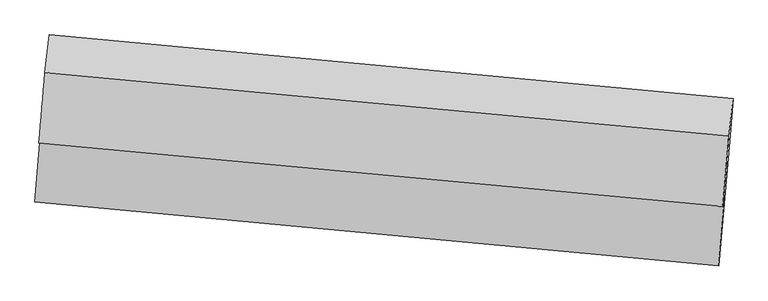
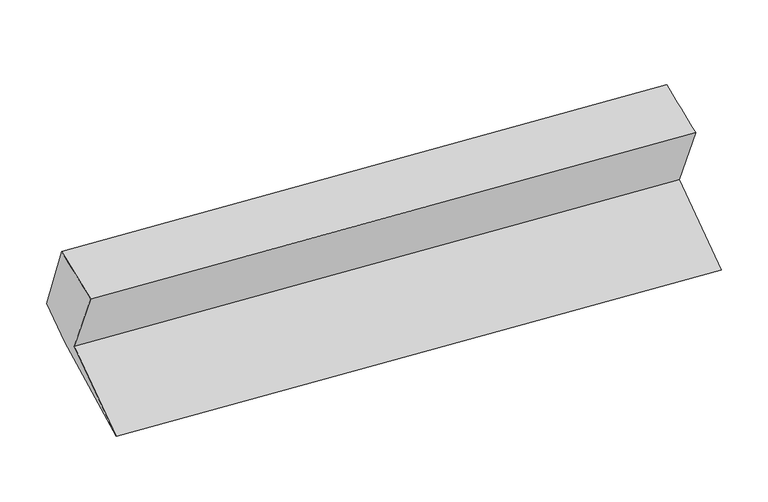
"""IFC4 building model written with IfcOpenShell, lengths in millimetres: proxy geometry."""

from ifc_helpers import new_model, si_unit, frame, origin, place, context, project, spatial, source, transform, mapped, element, save
from ifc_brep_helpers import plane_surface, spline_surface, advanced_brep


def generic_models_e8027b8b(model_context):
    return source(origin(), model_context, "Body", "AdvancedBrep", [
        advanced_brep(
        [(-5337.4342788, -1549.0849692, 2347.8972103), (-5304.9550509, -1248.6771151, 1726.7151608), (-408.8543692, -1706.1084825, 1792.3473346), (-440.9695431, -2003.1491177, 2406.5666637), (-5365.3300859, -1972.0094315, 1373.7499654), (-469.2294042, -2429.4407989, 1439.3821392), (-5289.5317242, -1081.2281292, 1658.4224055), (-393.2514742, -1536.5081513, 1725.1043734), (-5263.8270541, -773.2694085, 1808.6973311), (-367.5716646, -1228.8472751, 1875.2339595), (-5293.7659512, -1042.3712323, 2452.6956299), (-397.5105617, -1497.949099, 2519.2322583)],
        [
            (0, 1),
            (1, 2),
            (2, 3),
            (3, 0),
            (1, 4),
            (4, 5),
            (5, 2),
            (4, 6),
            (6, 7),
            (7, 5),
            (6, 8),
            (8, 9),
            (9, 7),
            (8, 10),
            (10, 11),
            (11, 9),
            (10, 0),
            (3, 11),
        ],
        [
            plane_surface(frame((-5321.1946649, -1398.8810421, 2037.3061856), z_axis=(-0.07784112527358651, -0.8959196427171904, -0.4373428323519706), x_axis=(0.04701869086340981, 0.4348866939543891, -0.8992568076644806))),
            plane_surface(frame((-5335.1425684, -1610.3432733, 1550.2325631), z_axis=(-0.05263713050055834, -0.4343843068594642, 0.8991883042204732), x_axis=(-0.07480324643195098, -0.8961917046731376, -0.4373155643220313))),
            spline_surface(1, 1, [[(-5365.3300859, -1972.0094315, 1373.7499654), (-469.2294042, -2429.4407989, 1439.3821392)], [(-5289.5317242, -1081.2281292, 1658.4224055), (-393.2514742, -1536.5081513, 1725.1043734)]], [2, 2], [2, 2], [0.0, 1.0], [0.0, 1.0]),
            plane_surface(frame((-5276.6793891, -927.2487689, 1733.5598683), z_axis=(0.052637130500560896, 0.4343843068594649, -0.8991883042204726), x_axis=(0.07480324643195108, 0.896191704673137, 0.4373155643220322))),
            plane_surface(frame((-5278.7965026, -907.8203204, 2130.6964805), z_axis=(0.08018634375760612, 0.9183824129717955, 0.38748405621249704), x_axis=(-0.04285538942982285, -0.385200010213163, 0.9218374952932851))),
            spline_surface(1, 1, [[(-5293.7659512, -1042.3712323, 2452.6956299), (-397.5105617, -1497.949099, 2519.2322583)], [(-5337.4342788, -1549.0849692, 2347.8972103), (-440.9695431, -2003.1491177, 2406.5666637)]], [2, 2], [2, 2], [0.0, 1.0], [0.0, 1.0]),
            plane_surface(frame((-412.8978362, -1733.6671541, 1959.6444548), z_axis=(0.9960892113825595, -0.08782933391797104, 0.009606824178495177), x_axis=(-0.04285538942982285, -0.385200010213163, 0.9218374952932851))),
            plane_surface(frame((-5309.1406908, -1277.773381, 1894.6962838), z_axis=(-0.9960892113825593, 0.08782933391797207, -0.009606824178496124), x_axis=(0.08409450170478357, 0.975806529511049, 0.20181608396415435))),
        ],
        [
            (0, [[1, 2, 3, 4]]),
            (1, [[5, 6, 7, -2]]),
            (2, [[8, 9, 10, -6]]),
            (3, [[11, 12, 13, -9]]),
            (4, [[14, 15, 16, -12]]),
            (5, [[17, -4, 18, -15]]),
            (6, [[-16, -18, -3, -7, -10, -13]]),
            (7, [[-17, -14, -11, -8, -5, -1]]),
        ],
    ),
    ])


if __name__ == "__main__":
    model = new_model("IFC4")
    model_context = context("Model", 3, world=origin())
    ifc_project = project(units=[si_unit("LENGTHUNIT", "METRE", prefix="MILLI")], contexts=[model_context])
    site = spatial("IfcSite", under=ifc_project)
    building = spatial("IfcBuilding", under=site)
    placement = place(None, origin())
    generic_models_shape = generic_models_e8027b8b(model_context)
    element("IfcBuildingElementProxy", 1, Name="Generic Models", at=placement, inside=building, context=model_context, shape_type="MappedRepresentation", body=[
        mapped(generic_models_shape, transform((0.0, 0.0, 0.0), x_axis=(1.0, 0.0, 0.0), y_axis=(0.0, 1.0, 0.0), z_axis=(0.0, 0.0, 1.0))),
    ])
    save(model, "model.ifc")
